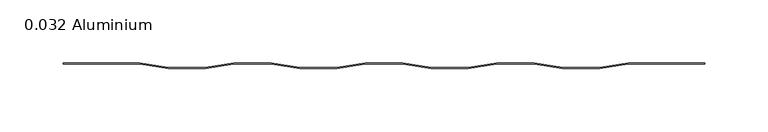
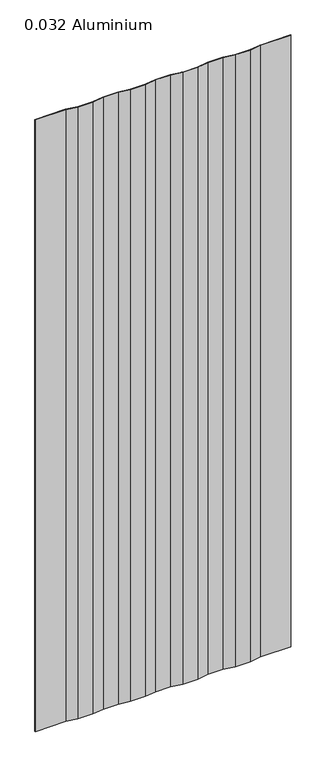
"""IFC4 building model written with IfcOpenShell, lengths in millimetres: plate geometry, 0.032 Aluminium."""

from ifc_helpers import new_model, si_unit, origin, origin_with_axes, place, context, project, spatial, polyline, outline, extrude, source, transform, mapped, element, save


def plate_0_032_aluminium_e5f8d374(model_context):
    return source(origin(), model_context, "Body", "SweptSolid", [
        extrude(outline(polyline([(14.706393, 0.0), (-14.706393, 0.0), (-37.203173, -3.54838), (-66.870787, -3.54838), (-89.367567, 0.0), (-118.780353, 0.0), (-141.277133, -3.54838), (-170.944747, -3.54838), (-193.441527, 0.0), (-254.0, 0.0), (-254.0, 0.8128), (-193.37782, 0.8128), (-170.88104, -2.73558), (-141.34084, -2.73558), (-118.84406, 0.8128), (-89.30386, 0.8128), (-66.80708, -2.73558), (-37.26688, -2.73558), (-14.7701, 0.8128), (14.7701, 0.8128), (37.26688, -2.73558), (66.80708, -2.73558), (89.30386, 0.8128), (118.84406, 0.8128), (141.34084, -2.73558), (170.88104, -2.73558), (193.37782, 0.8128), (254.0, 0.8128), (254.0, 0.0), (193.441527, 0.0), (170.944747, -3.54838), (141.277133, -3.54838), (118.780353, 0.0), (89.367567, 0.0), (66.870787, -3.54838), (37.203173, -3.54838), (14.706393, 0.0)])), origin_with_axes(), (0.0, 0.0, 1.0), 1285.875),
    ])


if __name__ == "__main__":
    model = new_model("IFC4")
    model_context = context("Model", 3, world=origin())
    ifc_project = project(units=[si_unit("LENGTHUNIT", "METRE", prefix="MILLI")], contexts=[model_context])
    site = spatial("IfcSite", under=ifc_project)
    building = spatial("IfcBuilding", under=site)
    placement = place(None, origin())
    plate_0_032_aluminium_shape = plate_0_032_aluminium_e5f8d374(model_context)
    element("IfcPlate", 1, ObjectType="0.032 Aluminium", at=placement, inside=building, context=model_context, shape_type="MappedRepresentation", body=[
        mapped(plate_0_032_aluminium_shape, transform((0.0, 0.0, 0.0), x_axis=(1.0, 0.0, 0.0), y_axis=(0.0, 1.0, 0.0), z_axis=(0.0, 0.0, 1.0))),
    ])
    save(model, "model.ifc")
